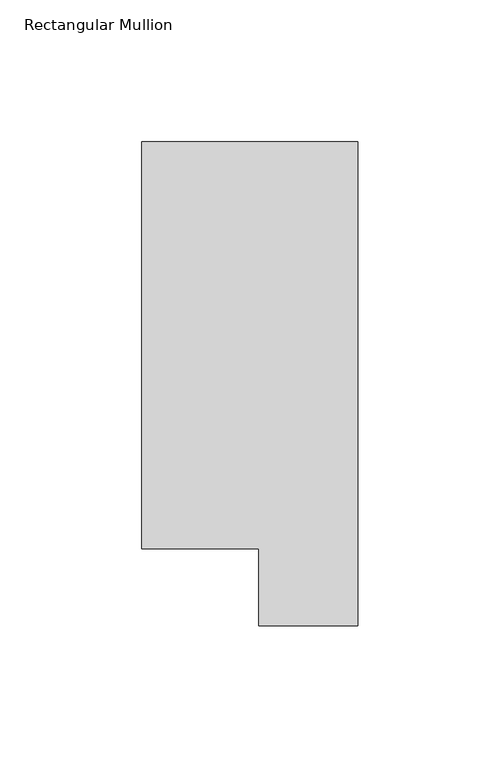
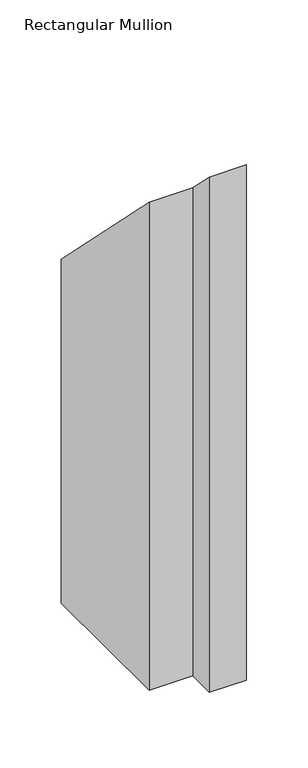
"""IFC4 building model written with IfcOpenShell, lengths in millimetres: member geometry, Rectangular Mullion."""

from ifc_helpers import new_model, si_unit, origin, place, context, project, spatial, faceted_brep, source, transform, mapped, element, save


def rectangular_mullion_f6da8e53(model_context):
    return source(origin(), model_context, "Body", "Brep", [
        faceted_brep([(0.0, 190.2801312, -533.4), (0.0, 19.5667312, -533.4), (-34.9123, 19.5667312, -533.4), (-34.9123, 46.7447302, -533.4), (-76.2, 46.7447302, -533.4), (-76.2, 190.2801312, -533.4), (-76.2, 190.2801312, -190.2801312), (0.0, 190.2801312, -190.2801312), (-76.2, 46.7447302, -46.7447302), (-34.9123, 46.7447302, -46.7447302), (-34.9123, 19.5667312, -19.5667312), (0.0, 19.5667312, -19.5667312)], [[[0, 1, 2, 3, 4, 5]], [[6, 7, 0, 5]], [[8, 6, 5, 4]], [[9, 8, 4, 3]], [[10, 9, 3, 2]], [[11, 10, 2, 1]], [[7, 11, 1, 0]], [[7, 6, 8, 9, 10, 11]]]),
    ])


if __name__ == "__main__":
    model = new_model("IFC4")
    model_context = context("Model", 3, world=origin())
    ifc_project = project(units=[si_unit("LENGTHUNIT", "METRE", prefix="MILLI")], contexts=[model_context])
    site = spatial("IfcSite", under=ifc_project)
    building = spatial("IfcBuilding", under=site)
    placement = place(None, origin())
    rectangular_mullion_shape = rectangular_mullion_f6da8e53(model_context)
    element("IfcMember", 1, ObjectType="Rectangular Mullion", at=placement, inside=building, context=model_context, shape_type="MappedRepresentation", body=[
        mapped(rectangular_mullion_shape, transform((0.0, 0.0, 0.0), x_axis=(1.0, 0.0, 0.0), y_axis=(0.0, 1.0, 0.0), z_axis=(0.0, 0.0, 1.0))),
    ])
    save(model, "model.ifc")
